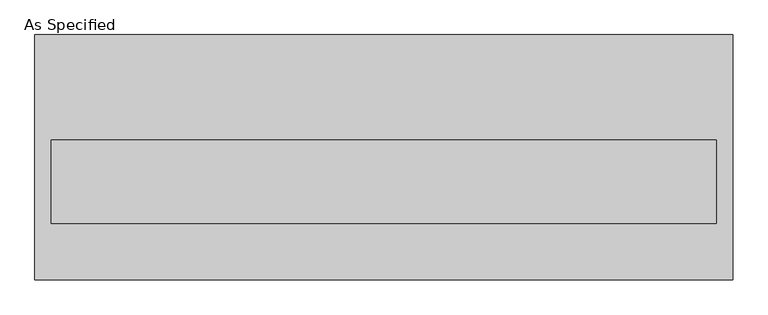
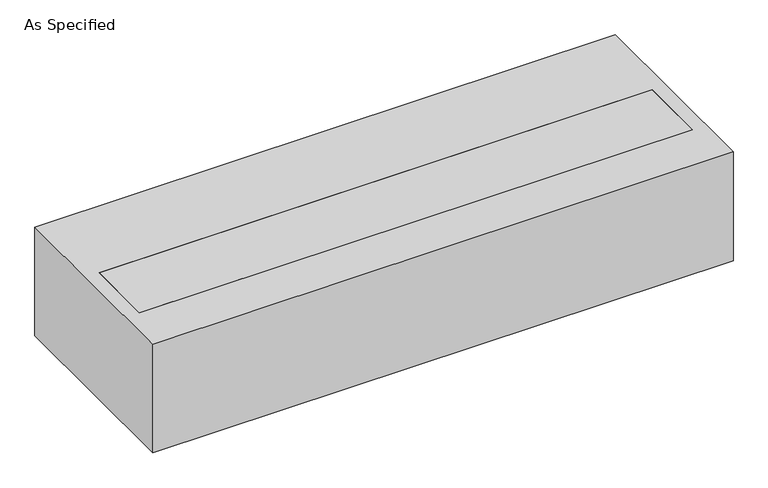
"""IFC4 building model written with IfcOpenShell, lengths in millimetres: proxy geometry, As Specified."""

from ifc_helpers import new_model, si_unit, frame, origin, place, context, project, spatial, polyline, outline, extrude, source, transform, mapped, element, save


def as_specified_15dcecd5(model_context):
    return source(origin(), model_context, "Body", "SweptSolid", [
        extrude(outline(polyline([(-1273.175, -447.675), (-1273.175, 447.675), (1273.175, 447.675), (1273.175, -447.675), (-1273.175, -447.675)]), holes=[polyline([(1212.85, 63.5), (-1212.85, 63.5), (-1212.85, -241.3), (1212.85, -241.3), (1212.85, 63.5)])]), frame((0.0, 0.0, -530.225), z_axis=(0.0, 0.0, 1.0), x_axis=(1.0, 0.0, 0.0)), (0.0, 0.0, 1.0), 504.825),
        extrude(outline(polyline([(1212.85, 63.5), (1212.85, -241.3), (-1212.85, -241.3), (-1212.85, 63.5), (1212.85, 63.5)])), frame((0.0, 0.0, -530.225), z_axis=(0.0, 0.0, 1.0), x_axis=(1.0, 0.0, 0.0)), (0.0, 0.0, 1.0), 504.825),
    ])


if __name__ == "__main__":
    model = new_model("IFC4")
    model_context = context("Model", 3, world=origin())
    ifc_project = project(units=[si_unit("LENGTHUNIT", "METRE", prefix="MILLI")], contexts=[model_context])
    site = spatial("IfcSite", under=ifc_project)
    building = spatial("IfcBuilding", under=site)
    placement = place(None, origin())
    as_specified_shape = as_specified_15dcecd5(model_context)
    element("IfcBuildingElementProxy", 1, Name="As Specified", ObjectType="As Specified", at=placement, inside=building, context=model_context, shape_type="MappedRepresentation", body=[
        mapped(as_specified_shape, transform((0.0, 0.0, 0.0), x_axis=(1.0, 0.0, 0.0), y_axis=(0.0, 1.0, 0.0), z_axis=(0.0, 0.0, 1.0))),
    ])
    save(model, "model.ifc")
